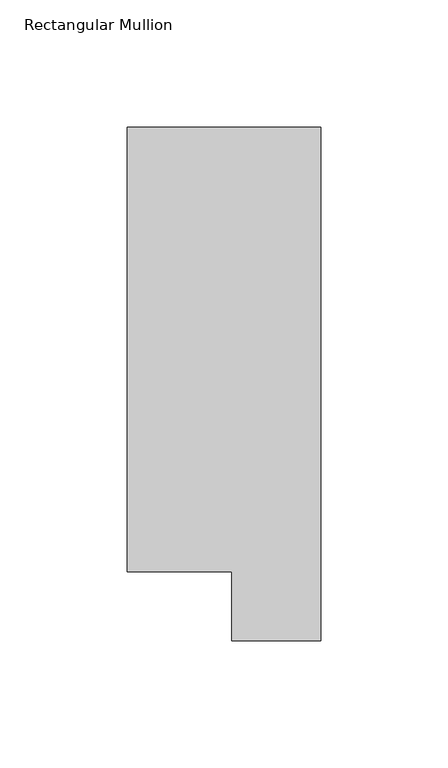
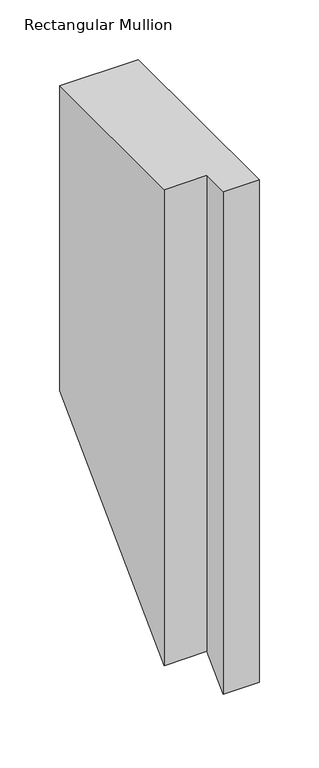
"""IFC4 building model written with IfcOpenShell, lengths in millimetres: member geometry, Rectangular Mullion."""

import ifcopenshell
import ifcopenshell.guid

model = None  # the IFC model being written
_history = None  # IfcOwnerHistory: only IFC2X3 demands one
_inside = {}  # id of a spatial element -> (the spatial element, [elements in it])
_under = {}  # id of a project, library or spatial element -> (it, [spatial elements below it])
_declared = {}  # id of a project -> (the project, [libraries it declares])
_typed = {}  # id of a type object -> (the type object, [elements of that type])
_made_of = {}  # id of a material, layer set ... -> (it, [elements and type objects made of it])


def new_model(schema):
    """Start an empty IFC model of exactly this schema.

    Asked for "IFC4X3", IfcOpenShell would pick the latest addendum, in which some entities
    have other attributes; the version numbers below select the first issue.
    IFC2X3 requires an IfcOwnerHistory on every rooted entity: one is made here for all.
    """
    global model, _history
    if schema == "IFC4X3":
        model = ifcopenshell.file(schema_version=(4, 3, 0, 0))
    else:
        model = ifcopenshell.file(schema=schema)
    _inside.clear()
    _under.clear()
    _declared.clear()
    _typed.clear()
    _made_of.clear()
    _history = None
    if model.schema == "IFC2X3":
        org = make("IfcOrganization", Name="unknown")
        user = make(
            "IfcPersonAndOrganization",
            ThePerson=make("IfcPerson", FamilyName="unknown"),
            TheOrganization=org,
        )
        app = make(
            "IfcApplication",
            ApplicationDeveloper=org,
            Version="unknown",
            ApplicationFullName="unknown",
            ApplicationIdentifier="unknown",
        )
        _history = make(
            "IfcOwnerHistory",
            OwningUser=user,
            OwningApplication=app,
            ChangeAction="ADDED",
            CreationDate=0,
        )
    return model


def make(cls, **values):
    """One entity of the class cls with the attributes given. An attribute that is None is left unset."""
    return model.create_entity(
        cls, **{name: value for name, value in values.items() if value is not None}
    )


def rooted(cls, **values):
    """An entity with a GlobalId (a new one), such as an element, a storey or a relation."""
    return make(cls, GlobalId=ifcopenshell.guid.new(), OwnerHistory=_history, **values)


def si_unit(unit_type, name, prefix=None):
    """IfcSIUnit, for example si_unit("LENGTHUNIT", "METRE", prefix="MILLI")."""
    return make("IfcSIUnit", UnitType=unit_type, Prefix=prefix, Name=name)


def assignment(units):
    """IfcUnitAssignment: the units of a project."""
    return None if units is None else make("IfcUnitAssignment", Units=units)


def point(xyz):
    """IfcCartesianPoint."""
    return None if xyz is None else make("IfcCartesianPoint", Coordinates=xyz)


def direction(xyz):
    """IfcDirection."""
    return None if xyz is None else make("IfcDirection", DirectionRatios=xyz)


def frame(location, z_axis=None, x_axis=None):
    """IfcAxis2Placement3D, a coordinate frame: its origin and axes. An axis left out is left unset."""
    return make(
        "IfcAxis2Placement3D",
        Location=point(location),
        Axis=direction(z_axis),
        RefDirection=direction(x_axis),
    )


def origin():
    """The frame at (0, 0, 0) with its axes left unset."""
    return frame((0.0, 0.0, 0.0))


def place(relative_to, where):
    """IfcLocalPlacement: puts the frame where relative to a parent placement (None: the world)."""
    return make(
        "IfcLocalPlacement", PlacementRelTo=relative_to, RelativePlacement=where
    )


def context(
    kind, dimensions, precision=None, world=None, true_north=None, identifier=None
):
    """IfcGeometricRepresentationContext, for example the 3D "Model" context."""
    return make(
        "IfcGeometricRepresentationContext",
        ContextIdentifier=identifier,
        ContextType=kind,
        CoordinateSpaceDimension=dimensions,
        Precision=precision,
        WorldCoordinateSystem=world,
        TrueNorth=true_north,
    )


def project(units=None, contexts=None):
    """IfcProject with its units and contexts."""
    return rooted(
        "IfcProject",
        Name="project",
        RepresentationContexts=contexts,
        UnitsInContext=assignment(units),
    )


def spatial(cls, under=None, at=None, **own):
    """A site, building, storey or space (cls), placed at a placement, below another one or the project."""
    s = rooted(cls, ObjectPlacement=at, **own)
    if under is not None:
        _under.setdefault(under.id(), (under, []))[1].append(s)
    return s


def faces_of(points, faces, orient=None, outer=None):
    """IfcFace entities. A face is a list of loops; a loop is a list of indices into points, from 0.

    orient and outer hold one flag for each loop. By default every Orientation is true, the
    first loop of a face is its IfcFaceOuterBound and the others are IfcFaceBound.
    """
    made = []
    for i, loops in enumerate(faces):
        bounds = []
        for j, loop in enumerate(loops):
            is_outer = j == 0 if outer is None else outer[i][j]
            bounds.append(
                make(
                    "IfcFaceOuterBound" if is_outer else "IfcFaceBound",
                    Bound=make("IfcPolyLoop", Polygon=[points[k] for k in loop]),
                    Orientation=True if orient is None else orient[i][j],
                )
            )
        made.append(make("IfcFace", Bounds=bounds))
    return made


def faceted_brep(points, faces, orient=None, outer=None, voids=None):
    """IfcFacetedBrep: a solid bounded by flat faces; with voids (closed shells), ...WithVoids."""
    shared = [point(p) for p in points]
    hull = make("IfcClosedShell", CfsFaces=faces_of(shared, faces, orient, outer))
    if voids is None:
        return make("IfcFacetedBrep", Outer=hull)
    return make(
        "IfcFacetedBrepWithVoids",
        Outer=hull,
        Voids=[
            make(cls, CfsFaces=faces_of(shared, fs, o, b)) for cls, fs, o, b in voids
        ],
    )


def shape(context_of_items, identifier, shape_type, items):
    """IfcShapeRepresentation: the items that make up one representation, for example the "Body"."""
    return make(
        "IfcShapeRepresentation",
        ContextOfItems=context_of_items,
        RepresentationIdentifier=identifier,
        RepresentationType=shape_type,
        Items=items,
    )


def source(mapping_origin, context_of_items, identifier, shape_type, items):
    """IfcRepresentationMap: a shape defined once, which mapped items show again and again."""
    return make(
        "IfcRepresentationMap",
        MappingOrigin=mapping_origin,
        MappedRepresentation=shape(context_of_items, identifier, shape_type, items),
    )


def transform(
    local_origin,
    x_axis=None,
    y_axis=None,
    z_axis=None,
    scale=None,
    scale2=None,
    scale3=None,
    uniform=True,
):
    """IfcCartesianTransformationOperator3D, or its non-uniform kind. x_axis, y_axis, z_axis: its Axis1, 2, 3."""
    if uniform:
        return make(
            "IfcCartesianTransformationOperator3D",
            Axis1=direction(x_axis),
            Axis2=direction(y_axis),
            LocalOrigin=point(local_origin),
            Scale=scale,
            Axis3=direction(z_axis),
        )
    return make(
        "IfcCartesianTransformationOperator3DnonUniform",
        Axis1=direction(x_axis),
        Axis2=direction(y_axis),
        LocalOrigin=point(local_origin),
        Scale=scale,
        Axis3=direction(z_axis),
        Scale2=scale2,
        Scale3=scale3,
    )


def mapped(mapping_source, mapping_target):
    """IfcMappedItem: shows the shape of a source again, moved by a transform."""
    return make(
        "IfcMappedItem", MappingSource=mapping_source, MappingTarget=mapping_target
    )


def made_of(thing, what):
    """Note that an element or type object is made of a material, layer set ...; save() writes the relation."""
    if what is not None:
        _made_of.setdefault(what.id(), (what, []))[1].append(thing)
    return thing


def element(
    cls,
    number,
    at=None,
    inside=None,
    cuts=None,
    type_object=None,
    material=None,
    context=None,
    identifier="Body",
    shape_type=None,
    held_by="IfcProductDefinitionShape",
    body=None,
    shapes=None,
    **own,
):
    """One element of the class cls, such as IfcWall. Its Tag is "e" and its number.

    at: its placement. inside: the storey or other place that contains it. cuts: it is an
    opening in that element (IfcRelVoidsElement). A single representation is given by context,
    identifier, shape_type and body (its items); several are given by shapes. held_by: the class
    of the entity that holds the representations. save() writes the other relations.
    """
    e = rooted(cls, Tag="e%d" % number, ObjectPlacement=at, **own)
    if body is not None:
        shapes = [shape(context, identifier, shape_type, body)]
    if shapes is not None:
        e.Representation = make(held_by, Representations=shapes)
    if inside is not None:
        _inside.setdefault(inside.id(), (inside, []))[1].append(e)
    if cuts is not None:
        rooted(
            "IfcRelVoidsElement", RelatingBuildingElement=cuts, RelatedOpeningElement=e
        )
    if type_object is not None:
        _typed.setdefault(type_object.id(), (type_object, []))[1].append(e)
    return made_of(e, material)


def aggregate(whole, parts):
    """IfcRelAggregates: a whole, such as a stair, and the parts it consists of."""
    return rooted("IfcRelAggregates", RelatingObject=whole, RelatedObjects=parts)


def save(model, path):
    """Write the relations noted so far, then the file.

    IfcRelAggregates (storeys below a building ...), IfcRelContainedInSpatialStructure (elements
    in a storey), IfcRelDefinesByType, IfcRelAssociatesMaterial and IfcRelDeclares: one each for
    every whole, place, type object, material and project.
    """
    for whole, parts in _under.values():
        aggregate(whole, parts)
    for where, things in _inside.values():
        rooted(
            "IfcRelContainedInSpatialStructure",
            RelatedElements=things,
            RelatingStructure=where,
        )
    for kind, things in _typed.values():
        rooted("IfcRelDefinesByType", RelatedObjects=things, RelatingType=kind)
    for what, things in _made_of.values():
        rooted("IfcRelAssociatesMaterial", RelatedObjects=things, RelatingMaterial=what)
    for by, libraries in _declared.values():
        rooted("IfcRelDeclares", RelatingContext=by, RelatedDefinitions=libraries)
    model.write(path)


def rectangular_mullion_9da1415f(model_context):
    return source(origin(), model_context, "Body", "Brep", [
        faceted_brep([(0.0, 221.7507313, 0.0), (-76.2, 221.7507313, 0.0), (-76.2, 46.7447302, 0.0), (-34.9123, 46.7447302, 0.0), (-34.9123, 19.5667313, 0.0), (0.0, 19.5667313, 0.0), (0.0, 221.7507313, -311.6492687), (-76.2, 221.7507313, -311.6492687), (-76.2, 46.7447302, -486.6552698), (-34.9123, 46.7447302, -486.6552698), (-34.9123, 19.5667313, -513.8332687), (0.0, 19.5667313, -513.8332687)], [[[0, 1, 2, 3, 4, 5]], [[1, 0, 6, 7]], [[2, 1, 7, 8]], [[3, 2, 8, 9]], [[4, 3, 9, 10]], [[5, 4, 10, 11]], [[0, 5, 11, 6]], [[6, 11, 10, 9, 8, 7]]]),
    ])


if __name__ == "__main__":
    model = new_model("IFC4")
    model_context = context("Model", 3, world=origin())
    ifc_project = project(units=[si_unit("LENGTHUNIT", "METRE", prefix="MILLI")], contexts=[model_context])
    site = spatial("IfcSite", under=ifc_project)
    building = spatial("IfcBuilding", under=site)
    placement = place(None, origin())
    rectangular_mullion_shape = rectangular_mullion_9da1415f(model_context)
    element("IfcMember", 1, ObjectType="Rectangular Mullion", at=placement, inside=building, context=model_context, shape_type="MappedRepresentation", body=[
        mapped(rectangular_mullion_shape, transform((0.0, 0.0, 0.0), x_axis=(1.0, 0.0, 0.0), y_axis=(0.0, 1.0, 0.0), z_axis=(0.0, 0.0, 1.0))),
    ])
    save(model, "model.ifc")
